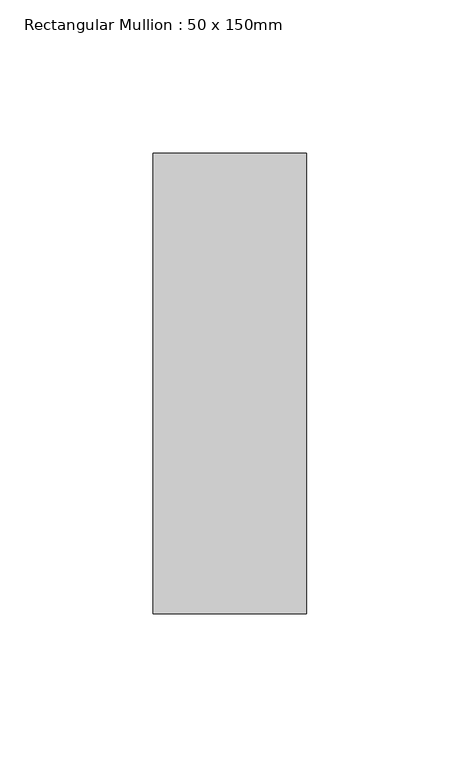
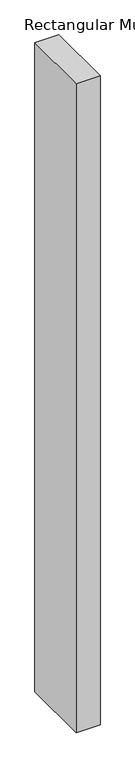
"""IFC4 building model written with IfcOpenShell, lengths in millimetres: member geometry, Rectangular Mullion : 50 x 150mm."""

from ifc_helpers import new_model, si_unit, frame, origin, place, context, project, spatial, polyline, outline, extrude, source, transform, mapped, element, save


def rectangular_mullion_50_x_150mm_47834c7d(model_context):
    return source(origin(), model_context, "Body", "SweptSolid", [
        extrude(outline(polyline([(25.0, 75.0), (25.0, -75.0), (-25.0, -75.0), (-25.0, 75.0), (25.0, 75.0)])), frame((0.0, 0.0, -1440.2835198), z_axis=(0.0, 0.0, 1.0), x_axis=(1.0, 0.0, 0.0)), (0.0, 0.0, 1.0), 1440.2835198),
    ])


if __name__ == "__main__":
    model = new_model("IFC4")
    model_context = context("Model", 3, world=origin())
    ifc_project = project(units=[si_unit("LENGTHUNIT", "METRE", prefix="MILLI")], contexts=[model_context])
    site = spatial("IfcSite", under=ifc_project)
    building = spatial("IfcBuilding", under=site)
    placement = place(None, origin())
    rectangular_mullion_50_x_150mm_shape = rectangular_mullion_50_x_150mm_47834c7d(model_context)
    element("IfcMember", 1, ObjectType="Rectangular Mullion : 50 x 150mm", at=placement, inside=building, context=model_context, shape_type="MappedRepresentation", body=[
        mapped(rectangular_mullion_50_x_150mm_shape, transform((0.0, 0.0, 0.0), x_axis=(1.0, 0.0, 0.0), y_axis=(0.0, 1.0, 0.0), z_axis=(0.0, 0.0, 1.0))),
    ])
    save(model, "model.ifc")
